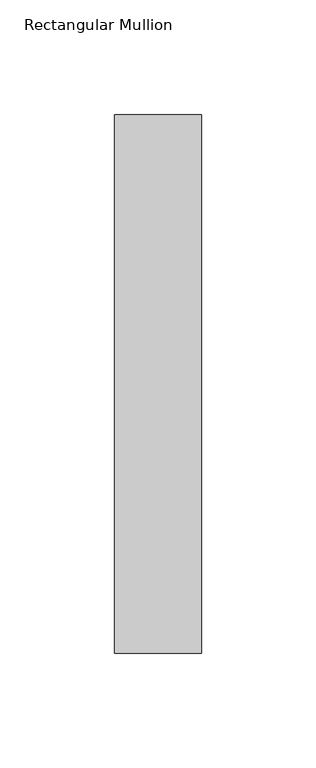
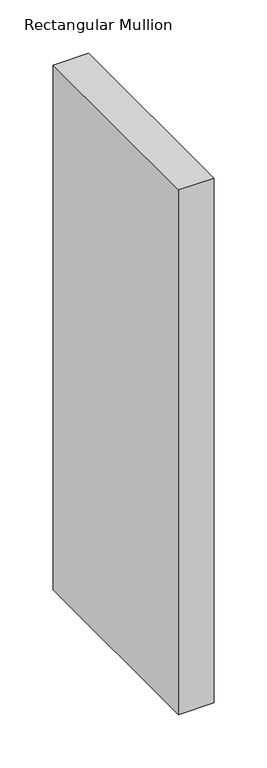
"""IFC4 building model written with IfcOpenShell, lengths in millimetres: member geometry, Rectangular Mullion."""

from ifc_helpers import new_model, si_unit, frame, origin, place, context, project, spatial, polyline, outline, extrude, source, transform, mapped, element, save


def rectangular_mullion_2a1fd9ea(model_context):
    return source(origin(), model_context, "Body", "SweptSolid", [
        extrude(outline(polyline([(0.0, 235.0), (0.0, 0.0), (-38.0, 0.0), (-38.0, 235.0), (0.0, 235.0)])), frame((0.0, 0.0, -600.0), z_axis=(0.0, 0.0, 1.0), x_axis=(1.0, 0.0, 0.0)), (0.0, 0.0, 1.0), 600.0),
    ])


if __name__ == "__main__":
    model = new_model("IFC4")
    model_context = context("Model", 3, world=origin())
    ifc_project = project(units=[si_unit("LENGTHUNIT", "METRE", prefix="MILLI")], contexts=[model_context])
    site = spatial("IfcSite", under=ifc_project)
    building = spatial("IfcBuilding", under=site)
    placement = place(None, origin())
    rectangular_mullion_shape = rectangular_mullion_2a1fd9ea(model_context)
    element("IfcMember", 1, ObjectType="Rectangular Mullion", at=placement, inside=building, context=model_context, shape_type="MappedRepresentation", body=[
        mapped(rectangular_mullion_shape, transform((0.0, 0.0, 0.0), x_axis=(1.0, 0.0, 0.0), y_axis=(0.0, 1.0, 0.0), z_axis=(0.0, 0.0, 1.0))),
    ])
    save(model, "model.ifc")
